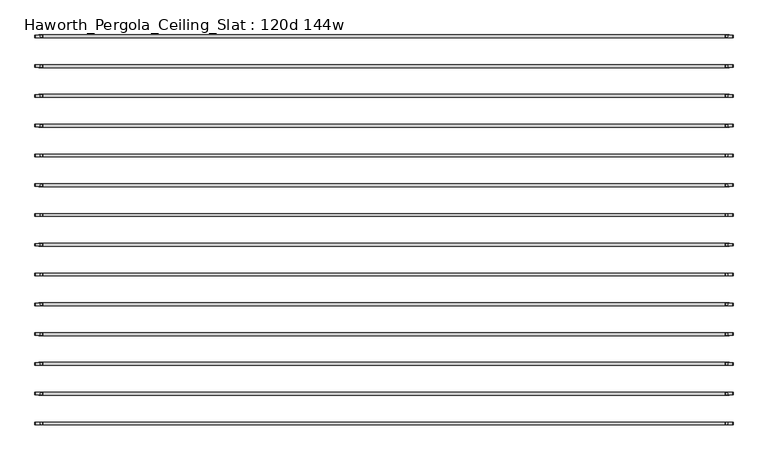
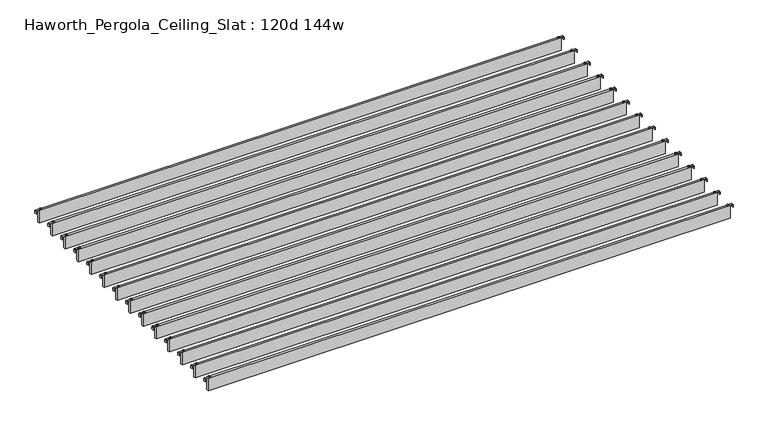
"""IFC4 building model written with IfcOpenShell, lengths in millimetres: furniture geometry, Haworth_Pergola_Ceiling_Slat : 120d 144w."""

from ifc_helpers import new_model, si_unit, point, frame, frame_2d, origin, place, context, project, spatial, polyline, circle_curve, trimmed, segment, composite_curve, outline, extrude, source, transform, mapped, element, save


def haworth_pergola_ceiling_slat_120d_144w_86eb2332(model_context):
    return source(origin(), model_context, "Body", "SweptSolid", [
        extrude(outline(composite_curve([segment(trimmed(circle_curve(frame_2d((1853.2, 2.1456316)), 5.9838099), [point((1847.2161901, 2.1456316))], [point((1859.1838099, 2.1456316))], False, "CARTESIAN"), True, "CONTINUOUS"), segment(trimmed(circle_curve(frame_2d((1853.2, 2.1456316)), 5.9838099), [point((1859.1838099, 2.1456316))], [point((1847.2161901, 2.1456316))], False, "CARTESIAN"), True, "CONTINUOUS")], self_intersect=False)), frame((0.0, 0.0, 2440.9329992), z_axis=(0.0, 0.0, 1.0), x_axis=(1.0, 0.0, 0.0)), (0.0, 0.0, 1.0), 3.4400008),
        extrude(outline(composite_curve([segment(trimmed(circle_curve(frame_2d((-1777.0, 2.1456316)), 5.9838099), [point((-1771.0161901, 2.1456316))], [point((-1782.9838099, 2.1456316))], False, "CARTESIAN"), True, "CONTINUOUS"), segment(trimmed(circle_curve(frame_2d((-1777.0, 2.1456316)), 5.9838099), [point((-1782.9838099, 2.1456316))], [point((-1771.0161901, 2.1456316))], False, "CARTESIAN"), True, "CONTINUOUS")], self_intersect=False)), frame((0.0, 0.0, 2440.9329992), z_axis=(0.0, 0.0, 1.0), x_axis=(1.0, 0.0, 0.0)), (0.0, 0.0, 1.0), 3.4400008),
        extrude(outline(composite_curve([segment(polyline([(2419.2231711, 1887.36), (2437.2499992, 1887.36)]), True, "CONTINUOUS"), segment(trimmed(circle_curve(frame_2d((2437.2499992, 1883.677)), 3.683), [point((2437.2499992, 1887.36))], [point((2440.9329992, 1883.677))], False, "CARTESIAN"), True, "CONTINUOUS"), segment(polyline([(2440.9329992, 1883.677), (2440.9329992, 1846.7), (2438.2729997, 1846.7), (2438.2729997, 1883.6905568)]), True, "CONTINUOUS"), segment(trimmed(circle_curve(frame_2d((2437.2635571, 1883.6905568)), 1.0094425), [point((2438.2729997, 1883.6905568))], [point((2437.2635571, 1884.6999993))], True, "CARTESIAN"), True, "CONTINUOUS"), segment(polyline([(2437.2635571, 1884.6999993), (2419.2231711, 1884.6999993), (2419.2231711, 1887.36)]), True, "CONTINUOUS")], self_intersect=False)), frame((0.0, -4.3473688, 0.0), z_axis=(0.0, 1.0, 0.0), x_axis=(0.0, 0.0, 1.0)), (0.0, 0.0, 1.0), 13.0),
        extrude(outline(composite_curve([segment(polyline([(2419.2231711, -1811.16), (2419.2231711, -1808.4999993), (2437.2635571, -1808.4999993)]), True, "CONTINUOUS"), segment(trimmed(circle_curve(frame_2d((2437.2635571, -1807.4905568)), 1.0094425), [point((2437.2635571, -1808.4999993))], [point((2438.2729997, -1807.4905568))], True, "CARTESIAN"), True, "CONTINUOUS"), segment(polyline([(2438.2729997, -1807.4905568), (2438.2729997, -1770.5), (2440.9329992, -1770.5), (2440.9329992, -1807.477)]), True, "CONTINUOUS"), segment(trimmed(circle_curve(frame_2d((2437.2499992, -1807.477)), 3.683), [point((2440.9329992, -1807.477))], [point((2437.2499992, -1811.16))], False, "CARTESIAN"), True, "CONTINUOUS"), segment(polyline([(2437.2499992, -1811.16), (2419.2231711, -1811.16)]), True, "CONTINUOUS")], self_intersect=False)), frame((0.0, -4.3473688, 0.0), z_axis=(0.0, 1.0, 0.0), x_axis=(0.0, 0.0, 1.0)), (0.0, 0.0, 1.0), 13.0),
        extrude(outline(polyline([(-1790.7, -5.3473684), (-1790.7, 9.6386316), (1866.9, 9.6386316), (1866.9, -5.3473684), (-1790.7, -5.3473684)])), frame((0.0, 0.0, 2346.198), z_axis=(0.0, 0.0, 1.0), x_axis=(1.0, 0.0, 0.0)), (0.0, 0.0, 1.0), 92.202),
        extrude(outline(composite_curve([segment(trimmed(circle_curve(frame_2d((1853.2, -155.6017368)), 5.9838099), [point((1847.2161901, -155.6017368))], [point((1859.1838099, -155.6017368))], False, "CARTESIAN"), True, "CONTINUOUS"), segment(trimmed(circle_curve(frame_2d((1853.2, -155.6017368)), 5.9838099), [point((1859.1838099, -155.6017368))], [point((1847.2161901, -155.6017368))], False, "CARTESIAN"), True, "CONTINUOUS")], self_intersect=False)), frame((0.0, 0.0, 2440.9329992), z_axis=(0.0, 0.0, 1.0), x_axis=(1.0, 0.0, 0.0)), (0.0, 0.0, 1.0), 3.4400008),
        extrude(outline(composite_curve([segment(trimmed(circle_curve(frame_2d((-1777.0, -155.6017368)), 5.9838099), [point((-1771.0161901, -155.6017368))], [point((-1782.9838099, -155.6017368))], False, "CARTESIAN"), True, "CONTINUOUS"), segment(trimmed(circle_curve(frame_2d((-1777.0, -155.6017368)), 5.9838099), [point((-1782.9838099, -155.6017368))], [point((-1771.0161901, -155.6017368))], False, "CARTESIAN"), True, "CONTINUOUS")], self_intersect=False)), frame((0.0, 0.0, 2440.9329992), z_axis=(0.0, 0.0, 1.0), x_axis=(1.0, 0.0, 0.0)), (0.0, 0.0, 1.0), 3.4400008),
        extrude(outline(composite_curve([segment(polyline([(2419.2231711, 1887.36), (2437.2499992, 1887.36)]), True, "CONTINUOUS"), segment(trimmed(circle_curve(frame_2d((2437.2499992, 1883.677)), 3.683), [point((2437.2499992, 1887.36))], [point((2440.9329992, 1883.677))], False, "CARTESIAN"), True, "CONTINUOUS"), segment(polyline([(2440.9329992, 1883.677), (2440.9329992, 1846.7), (2438.2729997, 1846.7), (2438.2729997, 1883.6905568)]), True, "CONTINUOUS"), segment(trimmed(circle_curve(frame_2d((2437.2635571, 1883.6905568)), 1.0094425), [point((2438.2729997, 1883.6905568))], [point((2437.2635571, 1884.6999993))], True, "CARTESIAN"), True, "CONTINUOUS"), segment(polyline([(2437.2635571, 1884.6999993), (2419.2231711, 1884.6999993), (2419.2231711, 1887.36)]), True, "CONTINUOUS")], self_intersect=False)), frame((0.0, -162.0947372, 0.0), z_axis=(0.0, 1.0, 0.0), x_axis=(0.0, 0.0, 1.0)), (0.0, 0.0, 1.0), 13.0),
        extrude(outline(composite_curve([segment(polyline([(2419.2231711, -1811.16), (2419.2231711, -1808.4999993), (2437.2635571, -1808.4999993)]), True, "CONTINUOUS"), segment(trimmed(circle_curve(frame_2d((2437.2635571, -1807.4905568)), 1.0094425), [point((2437.2635571, -1808.4999993))], [point((2438.2729997, -1807.4905568))], True, "CARTESIAN"), True, "CONTINUOUS"), segment(polyline([(2438.2729997, -1807.4905568), (2438.2729997, -1770.5), (2440.9329992, -1770.5), (2440.9329992, -1807.477)]), True, "CONTINUOUS"), segment(trimmed(circle_curve(frame_2d((2437.2499992, -1807.477)), 3.683), [point((2440.9329992, -1807.477))], [point((2437.2499992, -1811.16))], False, "CARTESIAN"), True, "CONTINUOUS"), segment(polyline([(2437.2499992, -1811.16), (2419.2231711, -1811.16)]), True, "CONTINUOUS")], self_intersect=False)), frame((0.0, -162.0947372, 0.0), z_axis=(0.0, 1.0, 0.0), x_axis=(0.0, 0.0, 1.0)), (0.0, 0.0, 1.0), 13.0),
        extrude(outline(polyline([(-1790.7, -163.0947368), (-1790.7, -148.1087368), (1866.9, -148.1087368), (1866.9, -163.0947368), (-1790.7, -163.0947368)])), frame((0.0, 0.0, 2346.198), z_axis=(0.0, 0.0, 1.0), x_axis=(1.0, 0.0, 0.0)), (0.0, 0.0, 1.0), 92.202),
        extrude(outline(composite_curve([segment(trimmed(circle_curve(frame_2d((1853.2, -313.3491053)), 5.9838099), [point((1847.2161901, -313.3491053))], [point((1859.1838099, -313.3491053))], False, "CARTESIAN"), True, "CONTINUOUS"), segment(trimmed(circle_curve(frame_2d((1853.2, -313.3491053)), 5.9838099), [point((1859.1838099, -313.3491053))], [point((1847.2161901, -313.3491053))], False, "CARTESIAN"), True, "CONTINUOUS")], self_intersect=False)), frame((0.0, 0.0, 2440.9329992), z_axis=(0.0, 0.0, 1.0), x_axis=(1.0, 0.0, 0.0)), (0.0, 0.0, 1.0), 3.4400008),
        extrude(outline(composite_curve([segment(trimmed(circle_curve(frame_2d((-1777.0, -313.3491053)), 5.9838099), [point((-1771.0161901, -313.3491053))], [point((-1782.9838099, -313.3491053))], False, "CARTESIAN"), True, "CONTINUOUS"), segment(trimmed(circle_curve(frame_2d((-1777.0, -313.3491053)), 5.9838099), [point((-1782.9838099, -313.3491053))], [point((-1771.0161901, -313.3491053))], False, "CARTESIAN"), True, "CONTINUOUS")], self_intersect=False)), frame((0.0, 0.0, 2440.9329992), z_axis=(0.0, 0.0, 1.0), x_axis=(1.0, 0.0, 0.0)), (0.0, 0.0, 1.0), 3.4400008),
        extrude(outline(composite_curve([segment(polyline([(2419.2231711, 1887.36), (2437.2499992, 1887.36)]), True, "CONTINUOUS"), segment(trimmed(circle_curve(frame_2d((2437.2499992, 1883.677)), 3.683), [point((2437.2499992, 1887.36))], [point((2440.9329992, 1883.677))], False, "CARTESIAN"), True, "CONTINUOUS"), segment(polyline([(2440.9329992, 1883.677), (2440.9329992, 1846.7), (2438.2729997, 1846.7), (2438.2729997, 1883.6905568)]), True, "CONTINUOUS"), segment(trimmed(circle_curve(frame_2d((2437.2635571, 1883.6905568)), 1.0094425), [point((2438.2729997, 1883.6905568))], [point((2437.2635571, 1884.6999993))], True, "CARTESIAN"), True, "CONTINUOUS"), segment(polyline([(2437.2635571, 1884.6999993), (2419.2231711, 1884.6999993), (2419.2231711, 1887.36)]), True, "CONTINUOUS")], self_intersect=False)), frame((0.0, -319.8421056, 0.0), z_axis=(0.0, 1.0, 0.0), x_axis=(0.0, 0.0, 1.0)), (0.0, 0.0, 1.0), 13.0),
        extrude(outline(composite_curve([segment(polyline([(2419.2231711, -1811.16), (2419.2231711, -1808.4999993), (2437.2635571, -1808.4999993)]), True, "CONTINUOUS"), segment(trimmed(circle_curve(frame_2d((2437.2635571, -1807.4905568)), 1.0094425), [point((2437.2635571, -1808.4999993))], [point((2438.2729997, -1807.4905568))], True, "CARTESIAN"), True, "CONTINUOUS"), segment(polyline([(2438.2729997, -1807.4905568), (2438.2729997, -1770.5), (2440.9329992, -1770.5), (2440.9329992, -1807.477)]), True, "CONTINUOUS"), segment(trimmed(circle_curve(frame_2d((2437.2499992, -1807.477)), 3.683), [point((2440.9329992, -1807.477))], [point((2437.2499992, -1811.16))], False, "CARTESIAN"), True, "CONTINUOUS"), segment(polyline([(2437.2499992, -1811.16), (2419.2231711, -1811.16)]), True, "CONTINUOUS")], self_intersect=False)), frame((0.0, -319.8421056, 0.0), z_axis=(0.0, 1.0, 0.0), x_axis=(0.0, 0.0, 1.0)), (0.0, 0.0, 1.0), 13.0),
        extrude(outline(polyline([(-1790.7, -320.8421053), (-1790.7, -305.8561053), (1866.9, -305.8561053), (1866.9, -320.8421053), (-1790.7, -320.8421053)])), frame((0.0, 0.0, 2346.198), z_axis=(0.0, 0.0, 1.0), x_axis=(1.0, 0.0, 0.0)), (0.0, 0.0, 1.0), 92.202),
        extrude(outline(composite_curve([segment(trimmed(circle_curve(frame_2d((1853.2, -471.0964737)), 5.9838099), [point((1847.2161901, -471.0964737))], [point((1859.1838099, -471.0964737))], False, "CARTESIAN"), True, "CONTINUOUS"), segment(trimmed(circle_curve(frame_2d((1853.2, -471.0964737)), 5.9838099), [point((1859.1838099, -471.0964737))], [point((1847.2161901, -471.0964737))], False, "CARTESIAN"), True, "CONTINUOUS")], self_intersect=False)), frame((0.0, 0.0, 2440.9329992), z_axis=(0.0, 0.0, 1.0), x_axis=(1.0, 0.0, 0.0)), (0.0, 0.0, 1.0), 3.4400008),
        extrude(outline(composite_curve([segment(trimmed(circle_curve(frame_2d((-1777.0, -471.0964737)), 5.9838099), [point((-1771.0161901, -471.0964737))], [point((-1782.9838099, -471.0964737))], False, "CARTESIAN"), True, "CONTINUOUS"), segment(trimmed(circle_curve(frame_2d((-1777.0, -471.0964737)), 5.9838099), [point((-1782.9838099, -471.0964737))], [point((-1771.0161901, -471.0964737))], False, "CARTESIAN"), True, "CONTINUOUS")], self_intersect=False)), frame((0.0, 0.0, 2440.9329992), z_axis=(0.0, 0.0, 1.0), x_axis=(1.0, 0.0, 0.0)), (0.0, 0.0, 1.0), 3.4400008),
        extrude(outline(composite_curve([segment(polyline([(2419.2231711, 1887.36), (2437.2499992, 1887.36)]), True, "CONTINUOUS"), segment(trimmed(circle_curve(frame_2d((2437.2499992, 1883.677)), 3.683), [point((2437.2499992, 1887.36))], [point((2440.9329992, 1883.677))], False, "CARTESIAN"), True, "CONTINUOUS"), segment(polyline([(2440.9329992, 1883.677), (2440.9329992, 1846.7), (2438.2729997, 1846.7), (2438.2729997, 1883.6905568)]), True, "CONTINUOUS"), segment(trimmed(circle_curve(frame_2d((2437.2635571, 1883.6905568)), 1.0094425), [point((2438.2729997, 1883.6905568))], [point((2437.2635571, 1884.6999993))], True, "CARTESIAN"), True, "CONTINUOUS"), segment(polyline([(2437.2635571, 1884.6999993), (2419.2231711, 1884.6999993), (2419.2231711, 1887.36)]), True, "CONTINUOUS")], self_intersect=False)), frame((0.0, -477.589474, 0.0), z_axis=(0.0, 1.0, 0.0), x_axis=(0.0, 0.0, 1.0)), (0.0, 0.0, 1.0), 13.0),
        extrude(outline(composite_curve([segment(polyline([(2419.2231711, -1811.16), (2419.2231711, -1808.4999993), (2437.2635571, -1808.4999993)]), True, "CONTINUOUS"), segment(trimmed(circle_curve(frame_2d((2437.2635571, -1807.4905568)), 1.0094425), [point((2437.2635571, -1808.4999993))], [point((2438.2729997, -1807.4905568))], True, "CARTESIAN"), True, "CONTINUOUS"), segment(polyline([(2438.2729997, -1807.4905568), (2438.2729997, -1770.5), (2440.9329992, -1770.5), (2440.9329992, -1807.477)]), True, "CONTINUOUS"), segment(trimmed(circle_curve(frame_2d((2437.2499992, -1807.477)), 3.683), [point((2440.9329992, -1807.477))], [point((2437.2499992, -1811.16))], False, "CARTESIAN"), True, "CONTINUOUS"), segment(polyline([(2437.2499992, -1811.16), (2419.2231711, -1811.16)]), True, "CONTINUOUS")], self_intersect=False)), frame((0.0, -477.589474, 0.0), z_axis=(0.0, 1.0, 0.0), x_axis=(0.0, 0.0, 1.0)), (0.0, 0.0, 1.0), 13.0),
        extrude(outline(polyline([(-1790.7, -478.5894737), (-1790.7, -463.6034737), (1866.9, -463.6034737), (1866.9, -478.5894737), (-1790.7, -478.5894737)])), frame((0.0, 0.0, 2346.198), z_axis=(0.0, 0.0, 1.0), x_axis=(1.0, 0.0, 0.0)), (0.0, 0.0, 1.0), 92.202),
        extrude(outline(composite_curve([segment(trimmed(circle_curve(frame_2d((1853.2, -628.8438421)), 5.9838099), [point((1847.2161901, -628.8438421))], [point((1859.1838099, -628.8438421))], False, "CARTESIAN"), True, "CONTINUOUS"), segment(trimmed(circle_curve(frame_2d((1853.2, -628.8438421)), 5.9838099), [point((1859.1838099, -628.8438421))], [point((1847.2161901, -628.8438421))], False, "CARTESIAN"), True, "CONTINUOUS")], self_intersect=False)), frame((0.0, 0.0, 2440.9329992), z_axis=(0.0, 0.0, 1.0), x_axis=(1.0, 0.0, 0.0)), (0.0, 0.0, 1.0), 3.4400008),
        extrude(outline(composite_curve([segment(trimmed(circle_curve(frame_2d((-1777.0, -628.8438421)), 5.9838099), [point((-1771.0161901, -628.8438421))], [point((-1782.9838099, -628.8438421))], False, "CARTESIAN"), True, "CONTINUOUS"), segment(trimmed(circle_curve(frame_2d((-1777.0, -628.8438421)), 5.9838099), [point((-1782.9838099, -628.8438421))], [point((-1771.0161901, -628.8438421))], False, "CARTESIAN"), True, "CONTINUOUS")], self_intersect=False)), frame((0.0, 0.0, 2440.9329992), z_axis=(0.0, 0.0, 1.0), x_axis=(1.0, 0.0, 0.0)), (0.0, 0.0, 1.0), 3.4400008),
        extrude(outline(composite_curve([segment(polyline([(2419.2231711, 1887.36), (2437.2499992, 1887.36)]), True, "CONTINUOUS"), segment(trimmed(circle_curve(frame_2d((2437.2499992, 1883.677)), 3.683), [point((2437.2499992, 1887.36))], [point((2440.9329992, 1883.677))], False, "CARTESIAN"), True, "CONTINUOUS"), segment(polyline([(2440.9329992, 1883.677), (2440.9329992, 1846.7), (2438.2729997, 1846.7), (2438.2729997, 1883.6905568)]), True, "CONTINUOUS"), segment(trimmed(circle_curve(frame_2d((2437.2635571, 1883.6905568)), 1.0094425), [point((2438.2729997, 1883.6905568))], [point((2437.2635571, 1884.6999993))], True, "CARTESIAN"), True, "CONTINUOUS"), segment(polyline([(2437.2635571, 1884.6999993), (2419.2231711, 1884.6999993), (2419.2231711, 1887.36)]), True, "CONTINUOUS")], self_intersect=False)), frame((0.0, -635.3368424, 0.0), z_axis=(0.0, 1.0, 0.0), x_axis=(0.0, 0.0, 1.0)), (0.0, 0.0, 1.0), 13.0),
        extrude(outline(composite_curve([segment(polyline([(2419.2231711, -1811.16), (2419.2231711, -1808.4999993), (2437.2635571, -1808.4999993)]), True, "CONTINUOUS"), segment(trimmed(circle_curve(frame_2d((2437.2635571, -1807.4905568)), 1.0094425), [point((2437.2635571, -1808.4999993))], [point((2438.2729997, -1807.4905568))], True, "CARTESIAN"), True, "CONTINUOUS"), segment(polyline([(2438.2729997, -1807.4905568), (2438.2729997, -1770.5), (2440.9329992, -1770.5), (2440.9329992, -1807.477)]), True, "CONTINUOUS"), segment(trimmed(circle_curve(frame_2d((2437.2499992, -1807.477)), 3.683), [point((2440.9329992, -1807.477))], [point((2437.2499992, -1811.16))], False, "CARTESIAN"), True, "CONTINUOUS"), segment(polyline([(2437.2499992, -1811.16), (2419.2231711, -1811.16)]), True, "CONTINUOUS")], self_intersect=False)), frame((0.0, -635.3368424, 0.0), z_axis=(0.0, 1.0, 0.0), x_axis=(0.0, 0.0, 1.0)), (0.0, 0.0, 1.0), 13.0),
        extrude(outline(polyline([(-1790.7, -636.3368421), (-1790.7, -621.3508421), (1866.9, -621.3508421), (1866.9, -636.3368421), (-1790.7, -636.3368421)])), frame((0.0, 0.0, 2346.198), z_axis=(0.0, 0.0, 1.0), x_axis=(1.0, 0.0, 0.0)), (0.0, 0.0, 1.0), 92.202),
        extrude(outline(composite_curve([segment(trimmed(circle_curve(frame_2d((1853.2, -786.5912105)), 5.9838099), [point((1847.2161901, -786.5912105))], [point((1859.1838099, -786.5912105))], False, "CARTESIAN"), True, "CONTINUOUS"), segment(trimmed(circle_curve(frame_2d((1853.2, -786.5912105)), 5.9838099), [point((1859.1838099, -786.5912105))], [point((1847.2161901, -786.5912105))], False, "CARTESIAN"), True, "CONTINUOUS")], self_intersect=False)), frame((0.0, 0.0, 2440.9329992), z_axis=(0.0, 0.0, 1.0), x_axis=(1.0, 0.0, 0.0)), (0.0, 0.0, 1.0), 3.4400008),
        extrude(outline(composite_curve([segment(trimmed(circle_curve(frame_2d((-1777.0, -786.5912105)), 5.9838099), [point((-1771.0161901, -786.5912105))], [point((-1782.9838099, -786.5912105))], False, "CARTESIAN"), True, "CONTINUOUS"), segment(trimmed(circle_curve(frame_2d((-1777.0, -786.5912105)), 5.9838099), [point((-1782.9838099, -786.5912105))], [point((-1771.0161901, -786.5912105))], False, "CARTESIAN"), True, "CONTINUOUS")], self_intersect=False)), frame((0.0, 0.0, 2440.9329992), z_axis=(0.0, 0.0, 1.0), x_axis=(1.0, 0.0, 0.0)), (0.0, 0.0, 1.0), 3.4400008),
        extrude(outline(composite_curve([segment(polyline([(2419.2231711, 1887.36), (2437.2499992, 1887.36)]), True, "CONTINUOUS"), segment(trimmed(circle_curve(frame_2d((2437.2499992, 1883.677)), 3.683), [point((2437.2499992, 1887.36))], [point((2440.9329992, 1883.677))], False, "CARTESIAN"), True, "CONTINUOUS"), segment(polyline([(2440.9329992, 1883.677), (2440.9329992, 1846.7), (2438.2729997, 1846.7), (2438.2729997, 1883.6905568)]), True, "CONTINUOUS"), segment(trimmed(circle_curve(frame_2d((2437.2635571, 1883.6905568)), 1.0094425), [point((2438.2729997, 1883.6905568))], [point((2437.2635571, 1884.6999993))], True, "CARTESIAN"), True, "CONTINUOUS"), segment(polyline([(2437.2635571, 1884.6999993), (2419.2231711, 1884.6999993), (2419.2231711, 1887.36)]), True, "CONTINUOUS")], self_intersect=False)), frame((0.0, -793.0842109, 0.0), z_axis=(0.0, 1.0, 0.0), x_axis=(0.0, 0.0, 1.0)), (0.0, 0.0, 1.0), 13.0),
        extrude(outline(composite_curve([segment(polyline([(2419.2231711, -1811.16), (2419.2231711, -1808.4999993), (2437.2635571, -1808.4999993)]), True, "CONTINUOUS"), segment(trimmed(circle_curve(frame_2d((2437.2635571, -1807.4905568)), 1.0094425), [point((2437.2635571, -1808.4999993))], [point((2438.2729997, -1807.4905568))], True, "CARTESIAN"), True, "CONTINUOUS"), segment(polyline([(2438.2729997, -1807.4905568), (2438.2729997, -1770.5), (2440.9329992, -1770.5), (2440.9329992, -1807.477)]), True, "CONTINUOUS"), segment(trimmed(circle_curve(frame_2d((2437.2499992, -1807.477)), 3.683), [point((2440.9329992, -1807.477))], [point((2437.2499992, -1811.16))], False, "CARTESIAN"), True, "CONTINUOUS"), segment(polyline([(2437.2499992, -1811.16), (2419.2231711, -1811.16)]), True, "CONTINUOUS")], self_intersect=False)), frame((0.0, -793.0842109, 0.0), z_axis=(0.0, 1.0, 0.0), x_axis=(0.0, 0.0, 1.0)), (0.0, 0.0, 1.0), 13.0),
        extrude(outline(polyline([(-1790.7, -794.0842105), (-1790.7, -779.0982105), (1866.9, -779.0982105), (1866.9, -794.0842105), (-1790.7, -794.0842105)])), frame((0.0, 0.0, 2346.198), z_axis=(0.0, 0.0, 1.0), x_axis=(1.0, 0.0, 0.0)), (0.0, 0.0, 1.0), 92.202),
        extrude(outline(composite_curve([segment(trimmed(circle_curve(frame_2d((1853.2, -944.3385789)), 5.9838099), [point((1847.2161901, -944.3385789))], [point((1859.1838099, -944.3385789))], False, "CARTESIAN"), True, "CONTINUOUS"), segment(trimmed(circle_curve(frame_2d((1853.2, -944.3385789)), 5.9838099), [point((1859.1838099, -944.3385789))], [point((1847.2161901, -944.3385789))], False, "CARTESIAN"), True, "CONTINUOUS")], self_intersect=False)), frame((0.0, 0.0, 2440.9329992), z_axis=(0.0, 0.0, 1.0), x_axis=(1.0, 0.0, 0.0)), (0.0, 0.0, 1.0), 3.4400008),
        extrude(outline(composite_curve([segment(trimmed(circle_curve(frame_2d((-1777.0, -944.3385789)), 5.9838099), [point((-1771.0161901, -944.3385789))], [point((-1782.9838099, -944.3385789))], False, "CARTESIAN"), True, "CONTINUOUS"), segment(trimmed(circle_curve(frame_2d((-1777.0, -944.3385789)), 5.9838099), [point((-1782.9838099, -944.3385789))], [point((-1771.0161901, -944.3385789))], False, "CARTESIAN"), True, "CONTINUOUS")], self_intersect=False)), frame((0.0, 0.0, 2440.9329992), z_axis=(0.0, 0.0, 1.0), x_axis=(1.0, 0.0, 0.0)), (0.0, 0.0, 1.0), 3.4400008),
        extrude(outline(composite_curve([segment(polyline([(2419.2231711, 1887.36), (2437.2499992, 1887.36)]), True, "CONTINUOUS"), segment(trimmed(circle_curve(frame_2d((2437.2499992, 1883.677)), 3.683), [point((2437.2499992, 1887.36))], [point((2440.9329992, 1883.677))], False, "CARTESIAN"), True, "CONTINUOUS"), segment(polyline([(2440.9329992, 1883.677), (2440.9329992, 1846.7), (2438.2729997, 1846.7), (2438.2729997, 1883.6905568)]), True, "CONTINUOUS"), segment(trimmed(circle_curve(frame_2d((2437.2635571, 1883.6905568)), 1.0094425), [point((2438.2729997, 1883.6905568))], [point((2437.2635571, 1884.6999993))], True, "CARTESIAN"), True, "CONTINUOUS"), segment(polyline([(2437.2635571, 1884.6999993), (2419.2231711, 1884.6999993), (2419.2231711, 1887.36)]), True, "CONTINUOUS")], self_intersect=False)), frame((0.0, -950.8315793, 0.0), z_axis=(0.0, 1.0, 0.0), x_axis=(0.0, 0.0, 1.0)), (0.0, 0.0, 1.0), 13.0),
        extrude(outline(composite_curve([segment(polyline([(2419.2231711, -1811.16), (2419.2231711, -1808.4999993), (2437.2635571, -1808.4999993)]), True, "CONTINUOUS"), segment(trimmed(circle_curve(frame_2d((2437.2635571, -1807.4905568)), 1.0094425), [point((2437.2635571, -1808.4999993))], [point((2438.2729997, -1807.4905568))], True, "CARTESIAN"), True, "CONTINUOUS"), segment(polyline([(2438.2729997, -1807.4905568), (2438.2729997, -1770.5), (2440.9329992, -1770.5), (2440.9329992, -1807.477)]), True, "CONTINUOUS"), segment(trimmed(circle_curve(frame_2d((2437.2499992, -1807.477)), 3.683), [point((2440.9329992, -1807.477))], [point((2437.2499992, -1811.16))], False, "CARTESIAN"), True, "CONTINUOUS"), segment(polyline([(2437.2499992, -1811.16), (2419.2231711, -1811.16)]), True, "CONTINUOUS")], self_intersect=False)), frame((0.0, -950.8315793, 0.0), z_axis=(0.0, 1.0, 0.0), x_axis=(0.0, 0.0, 1.0)), (0.0, 0.0, 1.0), 13.0),
        extrude(outline(polyline([(-1790.7, -951.8315789), (-1790.7, -936.8455789), (1866.9, -936.8455789), (1866.9, -951.8315789), (-1790.7, -951.8315789)])), frame((0.0, 0.0, 2346.198), z_axis=(0.0, 0.0, 1.0), x_axis=(1.0, 0.0, 0.0)), (0.0, 0.0, 1.0), 92.202),
        extrude(outline(composite_curve([segment(trimmed(circle_curve(frame_2d((1853.2, -1102.0859474)), 5.9838099), [point((1847.2161901, -1102.0859474))], [point((1859.1838099, -1102.0859474))], False, "CARTESIAN"), True, "CONTINUOUS"), segment(trimmed(circle_curve(frame_2d((1853.2, -1102.0859474)), 5.9838099), [point((1859.1838099, -1102.0859474))], [point((1847.2161901, -1102.0859474))], False, "CARTESIAN"), True, "CONTINUOUS")], self_intersect=False)), frame((0.0, 0.0, 2440.9329992), z_axis=(0.0, 0.0, 1.0), x_axis=(1.0, 0.0, 0.0)), (0.0, 0.0, 1.0), 3.4400008),
        extrude(outline(composite_curve([segment(trimmed(circle_curve(frame_2d((-1777.0, -1102.0859474)), 5.9838099), [point((-1771.0161901, -1102.0859474))], [point((-1782.9838099, -1102.0859474))], False, "CARTESIAN"), True, "CONTINUOUS"), segment(trimmed(circle_curve(frame_2d((-1777.0, -1102.0859474)), 5.9838099), [point((-1782.9838099, -1102.0859474))], [point((-1771.0161901, -1102.0859474))], False, "CARTESIAN"), True, "CONTINUOUS")], self_intersect=False)), frame((0.0, 0.0, 2440.9329992), z_axis=(0.0, 0.0, 1.0), x_axis=(1.0, 0.0, 0.0)), (0.0, 0.0, 1.0), 3.4400008),
        extrude(outline(composite_curve([segment(polyline([(2419.2231711, 1887.36), (2437.2499992, 1887.36)]), True, "CONTINUOUS"), segment(trimmed(circle_curve(frame_2d((2437.2499992, 1883.677)), 3.683), [point((2437.2499992, 1887.36))], [point((2440.9329992, 1883.677))], False, "CARTESIAN"), True, "CONTINUOUS"), segment(polyline([(2440.9329992, 1883.677), (2440.9329992, 1846.7), (2438.2729997, 1846.7), (2438.2729997, 1883.6905568)]), True, "CONTINUOUS"), segment(trimmed(circle_curve(frame_2d((2437.2635571, 1883.6905568)), 1.0094425), [point((2438.2729997, 1883.6905568))], [point((2437.2635571, 1884.6999993))], True, "CARTESIAN"), True, "CONTINUOUS"), segment(polyline([(2437.2635571, 1884.6999993), (2419.2231711, 1884.6999993), (2419.2231711, 1887.36)]), True, "CONTINUOUS")], self_intersect=False)), frame((0.0, -1108.5789477, 0.0), z_axis=(0.0, 1.0, 0.0), x_axis=(0.0, 0.0, 1.0)), (0.0, 0.0, 1.0), 13.0),
        extrude(outline(composite_curve([segment(polyline([(2419.2231711, -1811.16), (2419.2231711, -1808.4999993), (2437.2635571, -1808.4999993)]), True, "CONTINUOUS"), segment(trimmed(circle_curve(frame_2d((2437.2635571, -1807.4905568)), 1.0094425), [point((2437.2635571, -1808.4999993))], [point((2438.2729997, -1807.4905568))], True, "CARTESIAN"), True, "CONTINUOUS"), segment(polyline([(2438.2729997, -1807.4905568), (2438.2729997, -1770.5), (2440.9329992, -1770.5), (2440.9329992, -1807.477)]), True, "CONTINUOUS"), segment(trimmed(circle_curve(frame_2d((2437.2499992, -1807.477)), 3.683), [point((2440.9329992, -1807.477))], [point((2437.2499992, -1811.16))], False, "CARTESIAN"), True, "CONTINUOUS"), segment(polyline([(2437.2499992, -1811.16), (2419.2231711, -1811.16)]), True, "CONTINUOUS")], self_intersect=False)), frame((0.0, -1108.5789477, 0.0), z_axis=(0.0, 1.0, 0.0), x_axis=(0.0, 0.0, 1.0)), (0.0, 0.0, 1.0), 13.0),
        extrude(outline(polyline([(-1790.7, -1109.5789474), (-1790.7, -1094.5929474), (1866.9, -1094.5929474), (1866.9, -1109.5789474), (-1790.7, -1109.5789474)])), frame((0.0, 0.0, 2346.198), z_axis=(0.0, 0.0, 1.0), x_axis=(1.0, 0.0, 0.0)), (0.0, 0.0, 1.0), 92.202),
        extrude(outline(composite_curve([segment(trimmed(circle_curve(frame_2d((1853.2, -1259.8333158)), 5.9838099), [point((1847.2161901, -1259.8333158))], [point((1859.1838099, -1259.8333158))], False, "CARTESIAN"), True, "CONTINUOUS"), segment(trimmed(circle_curve(frame_2d((1853.2, -1259.8333158)), 5.9838099), [point((1859.1838099, -1259.8333158))], [point((1847.2161901, -1259.8333158))], False, "CARTESIAN"), True, "CONTINUOUS")], self_intersect=False)), frame((0.0, 0.0, 2440.9329992), z_axis=(0.0, 0.0, 1.0), x_axis=(1.0, 0.0, 0.0)), (0.0, 0.0, 1.0), 3.4400008),
        extrude(outline(composite_curve([segment(trimmed(circle_curve(frame_2d((-1777.0, -1259.8333158)), 5.9838099), [point((-1771.0161901, -1259.8333158))], [point((-1782.9838099, -1259.8333158))], False, "CARTESIAN"), True, "CONTINUOUS"), segment(trimmed(circle_curve(frame_2d((-1777.0, -1259.8333158)), 5.9838099), [point((-1782.9838099, -1259.8333158))], [point((-1771.0161901, -1259.8333158))], False, "CARTESIAN"), True, "CONTINUOUS")], self_intersect=False)), frame((0.0, 0.0, 2440.9329992), z_axis=(0.0, 0.0, 1.0), x_axis=(1.0, 0.0, 0.0)), (0.0, 0.0, 1.0), 3.4400008),
        extrude(outline(composite_curve([segment(polyline([(2419.2231711, 1887.36), (2437.2499992, 1887.36)]), True, "CONTINUOUS"), segment(trimmed(circle_curve(frame_2d((2437.2499992, 1883.677)), 3.683), [point((2437.2499992, 1887.36))], [point((2440.9329992, 1883.677))], False, "CARTESIAN"), True, "CONTINUOUS"), segment(polyline([(2440.9329992, 1883.677), (2440.9329992, 1846.7), (2438.2729997, 1846.7), (2438.2729997, 1883.6905568)]), True, "CONTINUOUS"), segment(trimmed(circle_curve(frame_2d((2437.2635571, 1883.6905568)), 1.0094425), [point((2438.2729997, 1883.6905568))], [point((2437.2635571, 1884.6999993))], True, "CARTESIAN"), True, "CONTINUOUS"), segment(polyline([(2437.2635571, 1884.6999993), (2419.2231711, 1884.6999993), (2419.2231711, 1887.36)]), True, "CONTINUOUS")], self_intersect=False)), frame((0.0, -1266.3263161, 0.0), z_axis=(0.0, 1.0, 0.0), x_axis=(0.0, 0.0, 1.0)), (0.0, 0.0, 1.0), 13.0),
        extrude(outline(composite_curve([segment(polyline([(2419.2231711, -1811.16), (2419.2231711, -1808.4999993), (2437.2635571, -1808.4999993)]), True, "CONTINUOUS"), segment(trimmed(circle_curve(frame_2d((2437.2635571, -1807.4905568)), 1.0094425), [point((2437.2635571, -1808.4999993))], [point((2438.2729997, -1807.4905568))], True, "CARTESIAN"), True, "CONTINUOUS"), segment(polyline([(2438.2729997, -1807.4905568), (2438.2729997, -1770.5), (2440.9329992, -1770.5), (2440.9329992, -1807.477)]), True, "CONTINUOUS"), segment(trimmed(circle_curve(frame_2d((2437.2499992, -1807.477)), 3.683), [point((2440.9329992, -1807.477))], [point((2437.2499992, -1811.16))], False, "CARTESIAN"), True, "CONTINUOUS"), segment(polyline([(2437.2499992, -1811.16), (2419.2231711, -1811.16)]), True, "CONTINUOUS")], self_intersect=False)), frame((0.0, -1266.3263161, 0.0), z_axis=(0.0, 1.0, 0.0), x_axis=(0.0, 0.0, 1.0)), (0.0, 0.0, 1.0), 13.0),
        extrude(outline(polyline([(-1790.7, -1267.3263158), (-1790.7, -1252.3403158), (1866.9, -1252.3403158), (1866.9, -1267.3263158), (-1790.7, -1267.3263158)])), frame((0.0, 0.0, 2346.198), z_axis=(0.0, 0.0, 1.0), x_axis=(1.0, 0.0, 0.0)), (0.0, 0.0, 1.0), 92.202),
        extrude(outline(composite_curve([segment(trimmed(circle_curve(frame_2d((1853.2, -1417.5806842)), 5.9838099), [point((1847.2161901, -1417.5806842))], [point((1859.1838099, -1417.5806842))], False, "CARTESIAN"), True, "CONTINUOUS"), segment(trimmed(circle_curve(frame_2d((1853.2, -1417.5806842)), 5.9838099), [point((1859.1838099, -1417.5806842))], [point((1847.2161901, -1417.5806842))], False, "CARTESIAN"), True, "CONTINUOUS")], self_intersect=False)), frame((0.0, 0.0, 2440.9329992), z_axis=(0.0, 0.0, 1.0), x_axis=(1.0, 0.0, 0.0)), (0.0, 0.0, 1.0), 3.4400008),
        extrude(outline(composite_curve([segment(trimmed(circle_curve(frame_2d((-1777.0, -1417.5806842)), 5.9838099), [point((-1771.0161901, -1417.5806842))], [point((-1782.9838099, -1417.5806842))], False, "CARTESIAN"), True, "CONTINUOUS"), segment(trimmed(circle_curve(frame_2d((-1777.0, -1417.5806842)), 5.9838099), [point((-1782.9838099, -1417.5806842))], [point((-1771.0161901, -1417.5806842))], False, "CARTESIAN"), True, "CONTINUOUS")], self_intersect=False)), frame((0.0, 0.0, 2440.9329992), z_axis=(0.0, 0.0, 1.0), x_axis=(1.0, 0.0, 0.0)), (0.0, 0.0, 1.0), 3.4400008),
        extrude(outline(composite_curve([segment(polyline([(2419.2231711, 1887.36), (2437.2499992, 1887.36)]), True, "CONTINUOUS"), segment(trimmed(circle_curve(frame_2d((2437.2499992, 1883.677)), 3.683), [point((2437.2499992, 1887.36))], [point((2440.9329992, 1883.677))], False, "CARTESIAN"), True, "CONTINUOUS"), segment(polyline([(2440.9329992, 1883.677), (2440.9329992, 1846.7), (2438.2729997, 1846.7), (2438.2729997, 1883.6905568)]), True, "CONTINUOUS"), segment(trimmed(circle_curve(frame_2d((2437.2635571, 1883.6905568)), 1.0094425), [point((2438.2729997, 1883.6905568))], [point((2437.2635571, 1884.6999993))], True, "CARTESIAN"), True, "CONTINUOUS"), segment(polyline([(2437.2635571, 1884.6999993), (2419.2231711, 1884.6999993), (2419.2231711, 1887.36)]), True, "CONTINUOUS")], self_intersect=False)), frame((0.0, -1424.0736846, 0.0), z_axis=(0.0, 1.0, 0.0), x_axis=(0.0, 0.0, 1.0)), (0.0, 0.0, 1.0), 13.0),
        extrude(outline(composite_curve([segment(polyline([(2419.2231711, -1811.16), (2419.2231711, -1808.4999993), (2437.2635571, -1808.4999993)]), True, "CONTINUOUS"), segment(trimmed(circle_curve(frame_2d((2437.2635571, -1807.4905568)), 1.0094425), [point((2437.2635571, -1808.4999993))], [point((2438.2729997, -1807.4905568))], True, "CARTESIAN"), True, "CONTINUOUS"), segment(polyline([(2438.2729997, -1807.4905568), (2438.2729997, -1770.5), (2440.9329992, -1770.5), (2440.9329992, -1807.477)]), True, "CONTINUOUS"), segment(trimmed(circle_curve(frame_2d((2437.2499992, -1807.477)), 3.683), [point((2440.9329992, -1807.477))], [point((2437.2499992, -1811.16))], False, "CARTESIAN"), True, "CONTINUOUS"), segment(polyline([(2437.2499992, -1811.16), (2419.2231711, -1811.16)]), True, "CONTINUOUS")], self_intersect=False)), frame((0.0, -1424.0736846, 0.0), z_axis=(0.0, 1.0, 0.0), x_axis=(0.0, 0.0, 1.0)), (0.0, 0.0, 1.0), 13.0),
        extrude(outline(polyline([(-1790.7, -1425.0736842), (-1790.7, -1410.0876842), (1866.9, -1410.0876842), (1866.9, -1425.0736842), (-1790.7, -1425.0736842)])), frame((0.0, 0.0, 2346.198), z_axis=(0.0, 0.0, 1.0), x_axis=(1.0, 0.0, 0.0)), (0.0, 0.0, 1.0), 92.202),
        extrude(outline(composite_curve([segment(trimmed(circle_curve(frame_2d((1853.2, -1575.3280526)), 5.9838099), [point((1847.2161901, -1575.3280526))], [point((1859.1838099, -1575.3280526))], False, "CARTESIAN"), True, "CONTINUOUS"), segment(trimmed(circle_curve(frame_2d((1853.2, -1575.3280526)), 5.9838099), [point((1859.1838099, -1575.3280526))], [point((1847.2161901, -1575.3280526))], False, "CARTESIAN"), True, "CONTINUOUS")], self_intersect=False)), frame((0.0, 0.0, 2440.9329992), z_axis=(0.0, 0.0, 1.0), x_axis=(1.0, 0.0, 0.0)), (0.0, 0.0, 1.0), 3.4400008),
        extrude(outline(composite_curve([segment(trimmed(circle_curve(frame_2d((-1777.0, -1575.3280526)), 5.9838099), [point((-1771.0161901, -1575.3280526))], [point((-1782.9838099, -1575.3280526))], False, "CARTESIAN"), True, "CONTINUOUS"), segment(trimmed(circle_curve(frame_2d((-1777.0, -1575.3280526)), 5.9838099), [point((-1782.9838099, -1575.3280526))], [point((-1771.0161901, -1575.3280526))], False, "CARTESIAN"), True, "CONTINUOUS")], self_intersect=False)), frame((0.0, 0.0, 2440.9329992), z_axis=(0.0, 0.0, 1.0), x_axis=(1.0, 0.0, 0.0)), (0.0, 0.0, 1.0), 3.4400008),
        extrude(outline(composite_curve([segment(polyline([(2419.2231711, 1887.36), (2437.2499992, 1887.36)]), True, "CONTINUOUS"), segment(trimmed(circle_curve(frame_2d((2437.2499992, 1883.677)), 3.683), [point((2437.2499992, 1887.36))], [point((2440.9329992, 1883.677))], False, "CARTESIAN"), True, "CONTINUOUS"), segment(polyline([(2440.9329992, 1883.677), (2440.9329992, 1846.7), (2438.2729997, 1846.7), (2438.2729997, 1883.6905568)]), True, "CONTINUOUS"), segment(trimmed(circle_curve(frame_2d((2437.2635571, 1883.6905568)), 1.0094425), [point((2438.2729997, 1883.6905568))], [point((2437.2635571, 1884.6999993))], True, "CARTESIAN"), True, "CONTINUOUS"), segment(polyline([(2437.2635571, 1884.6999993), (2419.2231711, 1884.6999993), (2419.2231711, 1887.36)]), True, "CONTINUOUS")], self_intersect=False)), frame((0.0, -1581.821053, 0.0), z_axis=(0.0, 1.0, 0.0), x_axis=(0.0, 0.0, 1.0)), (0.0, 0.0, 1.0), 13.0),
        extrude(outline(composite_curve([segment(polyline([(2419.2231711, -1811.16), (2419.2231711, -1808.4999993), (2437.2635571, -1808.4999993)]), True, "CONTINUOUS"), segment(trimmed(circle_curve(frame_2d((2437.2635571, -1807.4905568)), 1.0094425), [point((2437.2635571, -1808.4999993))], [point((2438.2729997, -1807.4905568))], True, "CARTESIAN"), True, "CONTINUOUS"), segment(polyline([(2438.2729997, -1807.4905568), (2438.2729997, -1770.5), (2440.9329992, -1770.5), (2440.9329992, -1807.477)]), True, "CONTINUOUS"), segment(trimmed(circle_curve(frame_2d((2437.2499992, -1807.477)), 3.683), [point((2440.9329992, -1807.477))], [point((2437.2499992, -1811.16))], False, "CARTESIAN"), True, "CONTINUOUS"), segment(polyline([(2437.2499992, -1811.16), (2419.2231711, -1811.16)]), True, "CONTINUOUS")], self_intersect=False)), frame((0.0, -1581.821053, 0.0), z_axis=(0.0, 1.0, 0.0), x_axis=(0.0, 0.0, 1.0)), (0.0, 0.0, 1.0), 13.0),
        extrude(outline(polyline([(-1790.7, -1582.8210526), (-1790.7, -1567.8350526), (1866.9, -1567.8350526), (1866.9, -1582.8210526), (-1790.7, -1582.8210526)])), frame((0.0, 0.0, 2346.198), z_axis=(0.0, 0.0, 1.0), x_axis=(1.0, 0.0, 0.0)), (0.0, 0.0, 1.0), 92.202),
        extrude(outline(composite_curve([segment(trimmed(circle_curve(frame_2d((1853.2, -1733.0754211)), 5.9838099), [point((1847.2161901, -1733.0754211))], [point((1859.1838099, -1733.0754211))], False, "CARTESIAN"), True, "CONTINUOUS"), segment(trimmed(circle_curve(frame_2d((1853.2, -1733.0754211)), 5.9838099), [point((1859.1838099, -1733.0754211))], [point((1847.2161901, -1733.0754211))], False, "CARTESIAN"), True, "CONTINUOUS")], self_intersect=False)), frame((0.0, 0.0, 2440.9329992), z_axis=(0.0, 0.0, 1.0), x_axis=(1.0, 0.0, 0.0)), (0.0, 0.0, 1.0), 3.4400008),
        extrude(outline(composite_curve([segment(trimmed(circle_curve(frame_2d((-1777.0, -1733.0754211)), 5.9838099), [point((-1771.0161901, -1733.0754211))], [point((-1782.9838099, -1733.0754211))], False, "CARTESIAN"), True, "CONTINUOUS"), segment(trimmed(circle_curve(frame_2d((-1777.0, -1733.0754211)), 5.9838099), [point((-1782.9838099, -1733.0754211))], [point((-1771.0161901, -1733.0754211))], False, "CARTESIAN"), True, "CONTINUOUS")], self_intersect=False)), frame((0.0, 0.0, 2440.9329992), z_axis=(0.0, 0.0, 1.0), x_axis=(1.0, 0.0, 0.0)), (0.0, 0.0, 1.0), 3.4400008),
        extrude(outline(composite_curve([segment(polyline([(2419.2231711, 1887.36), (2437.2499992, 1887.36)]), True, "CONTINUOUS"), segment(trimmed(circle_curve(frame_2d((2437.2499992, 1883.677)), 3.683), [point((2437.2499992, 1887.36))], [point((2440.9329992, 1883.677))], False, "CARTESIAN"), True, "CONTINUOUS"), segment(polyline([(2440.9329992, 1883.677), (2440.9329992, 1846.7), (2438.2729997, 1846.7), (2438.2729997, 1883.6905568)]), True, "CONTINUOUS"), segment(trimmed(circle_curve(frame_2d((2437.2635571, 1883.6905568)), 1.0094425), [point((2438.2729997, 1883.6905568))], [point((2437.2635571, 1884.6999993))], True, "CARTESIAN"), True, "CONTINUOUS"), segment(polyline([(2437.2635571, 1884.6999993), (2419.2231711, 1884.6999993), (2419.2231711, 1887.36)]), True, "CONTINUOUS")], self_intersect=False)), frame((0.0, -1739.5684214, 0.0), z_axis=(0.0, 1.0, 0.0), x_axis=(0.0, 0.0, 1.0)), (0.0, 0.0, 1.0), 13.0),
        extrude(outline(composite_curve([segment(polyline([(2419.2231711, -1811.16), (2419.2231711, -1808.4999993), (2437.2635571, -1808.4999993)]), True, "CONTINUOUS"), segment(trimmed(circle_curve(frame_2d((2437.2635571, -1807.4905568)), 1.0094425), [point((2437.2635571, -1808.4999993))], [point((2438.2729997, -1807.4905568))], True, "CARTESIAN"), True, "CONTINUOUS"), segment(polyline([(2438.2729997, -1807.4905568), (2438.2729997, -1770.5), (2440.9329992, -1770.5), (2440.9329992, -1807.477)]), True, "CONTINUOUS"), segment(trimmed(circle_curve(frame_2d((2437.2499992, -1807.477)), 3.683), [point((2440.9329992, -1807.477))], [point((2437.2499992, -1811.16))], False, "CARTESIAN"), True, "CONTINUOUS"), segment(polyline([(2437.2499992, -1811.16), (2419.2231711, -1811.16)]), True, "CONTINUOUS")], self_intersect=False)), frame((0.0, -1739.5684214, 0.0), z_axis=(0.0, 1.0, 0.0), x_axis=(0.0, 0.0, 1.0)), (0.0, 0.0, 1.0), 13.0),
        extrude(outline(polyline([(-1790.7, -1740.5684211), (-1790.7, -1725.5824211), (1866.9, -1725.5824211), (1866.9, -1740.5684211), (-1790.7, -1740.5684211)])), frame((0.0, 0.0, 2346.198), z_axis=(0.0, 0.0, 1.0), x_axis=(1.0, 0.0, 0.0)), (0.0, 0.0, 1.0), 92.202),
        extrude(outline(composite_curve([segment(trimmed(circle_curve(frame_2d((1853.2, -1890.8227895)), 5.9838099), [point((1847.2161901, -1890.8227895))], [point((1859.1838099, -1890.8227895))], False, "CARTESIAN"), True, "CONTINUOUS"), segment(trimmed(circle_curve(frame_2d((1853.2, -1890.8227895)), 5.9838099), [point((1859.1838099, -1890.8227895))], [point((1847.2161901, -1890.8227895))], False, "CARTESIAN"), True, "CONTINUOUS")], self_intersect=False)), frame((0.0, 0.0, 2440.9329992), z_axis=(0.0, 0.0, 1.0), x_axis=(1.0, 0.0, 0.0)), (0.0, 0.0, 1.0), 3.4400008),
        extrude(outline(composite_curve([segment(trimmed(circle_curve(frame_2d((-1777.0, -1890.8227895)), 5.9838099), [point((-1771.0161901, -1890.8227895))], [point((-1782.9838099, -1890.8227895))], False, "CARTESIAN"), True, "CONTINUOUS"), segment(trimmed(circle_curve(frame_2d((-1777.0, -1890.8227895)), 5.9838099), [point((-1782.9838099, -1890.8227895))], [point((-1771.0161901, -1890.8227895))], False, "CARTESIAN"), True, "CONTINUOUS")], self_intersect=False)), frame((0.0, 0.0, 2440.9329992), z_axis=(0.0, 0.0, 1.0), x_axis=(1.0, 0.0, 0.0)), (0.0, 0.0, 1.0), 3.4400008),
        extrude(outline(composite_curve([segment(polyline([(2419.2231711, 1887.36), (2437.2499992, 1887.36)]), True, "CONTINUOUS"), segment(trimmed(circle_curve(frame_2d((2437.2499992, 1883.677)), 3.683), [point((2437.2499992, 1887.36))], [point((2440.9329992, 1883.677))], False, "CARTESIAN"), True, "CONTINUOUS"), segment(polyline([(2440.9329992, 1883.677), (2440.9329992, 1846.7), (2438.2729997, 1846.7), (2438.2729997, 1883.6905568)]), True, "CONTINUOUS"), segment(trimmed(circle_curve(frame_2d((2437.2635571, 1883.6905568)), 1.0094425), [point((2438.2729997, 1883.6905568))], [point((2437.2635571, 1884.6999993))], True, "CARTESIAN"), True, "CONTINUOUS"), segment(polyline([(2437.2635571, 1884.6999993), (2419.2231711, 1884.6999993), (2419.2231711, 1887.36)]), True, "CONTINUOUS")], self_intersect=False)), frame((0.0, -1897.3157898, 0.0), z_axis=(0.0, 1.0, 0.0), x_axis=(0.0, 0.0, 1.0)), (0.0, 0.0, 1.0), 13.0),
        extrude(outline(composite_curve([segment(polyline([(2419.2231711, -1811.16), (2419.2231711, -1808.4999993), (2437.2635571, -1808.4999993)]), True, "CONTINUOUS"), segment(trimmed(circle_curve(frame_2d((2437.2635571, -1807.4905568)), 1.0094425), [point((2437.2635571, -1808.4999993))], [point((2438.2729997, -1807.4905568))], True, "CARTESIAN"), True, "CONTINUOUS"), segment(polyline([(2438.2729997, -1807.4905568), (2438.2729997, -1770.5), (2440.9329992, -1770.5), (2440.9329992, -1807.477)]), True, "CONTINUOUS"), segment(trimmed(circle_curve(frame_2d((2437.2499992, -1807.477)), 3.683), [point((2440.9329992, -1807.477))], [point((2437.2499992, -1811.16))], False, "CARTESIAN"), True, "CONTINUOUS"), segment(polyline([(2437.2499992, -1811.16), (2419.2231711, -1811.16)]), True, "CONTINUOUS")], self_intersect=False)), frame((0.0, -1897.3157898, 0.0), z_axis=(0.0, 1.0, 0.0), x_axis=(0.0, 0.0, 1.0)), (0.0, 0.0, 1.0), 13.0),
        extrude(outline(polyline([(-1790.7, -1898.3157895), (-1790.7, -1883.3297895), (1866.9, -1883.3297895), (1866.9, -1898.3157895), (-1790.7, -1898.3157895)])), frame((0.0, 0.0, 2346.198), z_axis=(0.0, 0.0, 1.0), x_axis=(1.0, 0.0, 0.0)), (0.0, 0.0, 1.0), 92.202),
        extrude(outline(composite_curve([segment(trimmed(circle_curve(frame_2d((1853.2, -2048.5701579)), 5.9838099), [point((1847.2161901, -2048.5701579))], [point((1859.1838099, -2048.5701579))], False, "CARTESIAN"), True, "CONTINUOUS"), segment(trimmed(circle_curve(frame_2d((1853.2, -2048.5701579)), 5.9838099), [point((1859.1838099, -2048.5701579))], [point((1847.2161901, -2048.5701579))], False, "CARTESIAN"), True, "CONTINUOUS")], self_intersect=False)), frame((0.0, 0.0, 2440.9329992), z_axis=(0.0, 0.0, 1.0), x_axis=(1.0, 0.0, 0.0)), (0.0, 0.0, 1.0), 3.4400008),
        extrude(outline(composite_curve([segment(trimmed(circle_curve(frame_2d((-1777.0, -2048.5701579)), 5.9838099), [point((-1771.0161901, -2048.5701579))], [point((-1782.9838099, -2048.5701579))], False, "CARTESIAN"), True, "CONTINUOUS"), segment(trimmed(circle_curve(frame_2d((-1777.0, -2048.5701579)), 5.9838099), [point((-1782.9838099, -2048.5701579))], [point((-1771.0161901, -2048.5701579))], False, "CARTESIAN"), True, "CONTINUOUS")], self_intersect=False)), frame((0.0, 0.0, 2440.9329992), z_axis=(0.0, 0.0, 1.0), x_axis=(1.0, 0.0, 0.0)), (0.0, 0.0, 1.0), 3.4400008),
        extrude(outline(composite_curve([segment(polyline([(2419.2231711, 1887.36), (2437.2499992, 1887.36)]), True, "CONTINUOUS"), segment(trimmed(circle_curve(frame_2d((2437.2499992, 1883.677)), 3.683), [point((2437.2499992, 1887.36))], [point((2440.9329992, 1883.677))], False, "CARTESIAN"), True, "CONTINUOUS"), segment(polyline([(2440.9329992, 1883.677), (2440.9329992, 1846.7), (2438.2729997, 1846.7), (2438.2729997, 1883.6905568)]), True, "CONTINUOUS"), segment(trimmed(circle_curve(frame_2d((2437.2635571, 1883.6905568)), 1.0094425), [point((2438.2729997, 1883.6905568))], [point((2437.2635571, 1884.6999993))], True, "CARTESIAN"), True, "CONTINUOUS"), segment(polyline([(2437.2635571, 1884.6999993), (2419.2231711, 1884.6999993), (2419.2231711, 1887.36)]), True, "CONTINUOUS")], self_intersect=False)), frame((0.0, -2055.0631582, 0.0), z_axis=(0.0, 1.0, 0.0), x_axis=(0.0, 0.0, 1.0)), (0.0, 0.0, 1.0), 13.0),
        extrude(outline(composite_curve([segment(polyline([(2419.2231711, -1811.16), (2419.2231711, -1808.4999993), (2437.2635571, -1808.4999993)]), True, "CONTINUOUS"), segment(trimmed(circle_curve(frame_2d((2437.2635571, -1807.4905568)), 1.0094425), [point((2437.2635571, -1808.4999993))], [point((2438.2729997, -1807.4905568))], True, "CARTESIAN"), True, "CONTINUOUS"), segment(polyline([(2438.2729997, -1807.4905568), (2438.2729997, -1770.5), (2440.9329992, -1770.5), (2440.9329992, -1807.477)]), True, "CONTINUOUS"), segment(trimmed(circle_curve(frame_2d((2437.2499992, -1807.477)), 3.683), [point((2440.9329992, -1807.477))], [point((2437.2499992, -1811.16))], False, "CARTESIAN"), True, "CONTINUOUS"), segment(polyline([(2437.2499992, -1811.16), (2419.2231711, -1811.16)]), True, "CONTINUOUS")], self_intersect=False)), frame((0.0, -2055.0631582, 0.0), z_axis=(0.0, 1.0, 0.0), x_axis=(0.0, 0.0, 1.0)), (0.0, 0.0, 1.0), 13.0),
        extrude(outline(polyline([(-1790.7, -2056.0631579), (-1790.7, -2041.0771579), (1866.9, -2041.0771579), (1866.9, -2056.0631579), (-1790.7, -2056.0631579)])), frame((0.0, 0.0, 2346.198), z_axis=(0.0, 0.0, 1.0), x_axis=(1.0, 0.0, 0.0)), (0.0, 0.0, 1.0), 92.202),
    ])


if __name__ == "__main__":
    model = new_model("IFC4")
    model_context = context("Model", 3, world=origin())
    ifc_project = project(units=[si_unit("LENGTHUNIT", "METRE", prefix="MILLI")], contexts=[model_context])
    site = spatial("IfcSite", under=ifc_project)
    building = spatial("IfcBuilding", under=site)
    placement = place(None, origin())
    haworth_pergola_ceiling_slat_120d_144w_shape = haworth_pergola_ceiling_slat_120d_144w_86eb2332(model_context)
    element("IfcFurniture", 1, ObjectType="Haworth_Pergola_Ceiling_Slat : 120d 144w", at=placement, inside=building, context=model_context, shape_type="MappedRepresentation", body=[
        mapped(haworth_pergola_ceiling_slat_120d_144w_shape, transform((0.0, 0.0, 0.0), x_axis=(1.0, 0.0, 0.0), y_axis=(0.0, 1.0, 0.0), z_axis=(0.0, 0.0, 1.0))),
    ])
    save(model, "model.ifc")
